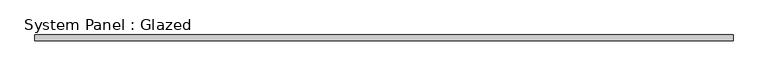
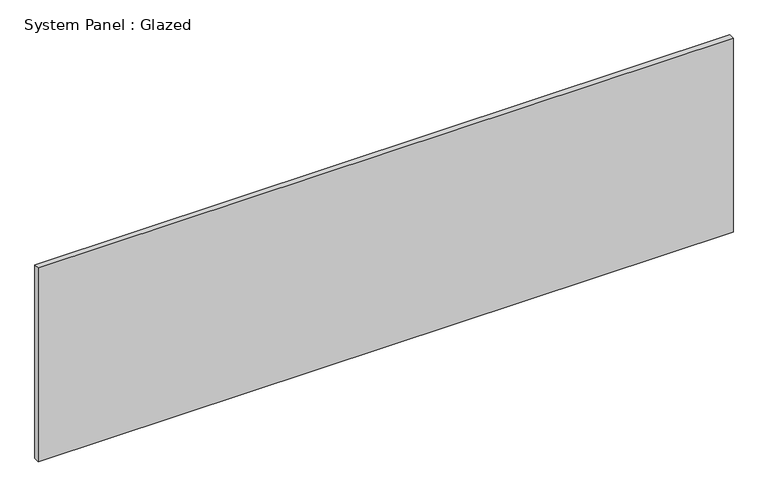
"""IFC4 building model written with IfcOpenShell, lengths in millimetres: plate geometry, System Panel : Glazed."""

from ifc_helpers import new_model, si_unit, origin, origin_with_axes, place, context, project, spatial, polyline, outline, extrude, source, transform, mapped, element, save


def system_panel_glazed_d6755885(model_context):
    return source(origin(), model_context, "Body", "SweptSolid", [
        extrude(outline(polyline([(1525.7474196, 24.5), (-1525.7474196, 24.5), (-1525.7474196, 49.5), (1525.7474196, 49.5), (1525.7474196, 24.5)])), origin_with_axes(), (0.0, 0.0, 1.0), 900.0),
    ])


if __name__ == "__main__":
    model = new_model("IFC4")
    model_context = context("Model", 3, world=origin())
    ifc_project = project(units=[si_unit("LENGTHUNIT", "METRE", prefix="MILLI")], contexts=[model_context])
    site = spatial("IfcSite", under=ifc_project)
    building = spatial("IfcBuilding", under=site)
    placement = place(None, origin())
    system_panel_glazed_shape = system_panel_glazed_d6755885(model_context)
    element("IfcPlate", 1, ObjectType="System Panel : Glazed", at=placement, inside=building, context=model_context, shape_type="MappedRepresentation", body=[
        mapped(system_panel_glazed_shape, transform((0.0, 0.0, 0.0), x_axis=(1.0, 0.0, 0.0), y_axis=(0.0, 1.0, 0.0), z_axis=(0.0, 0.0, 1.0))),
    ])
    save(model, "model.ifc")
